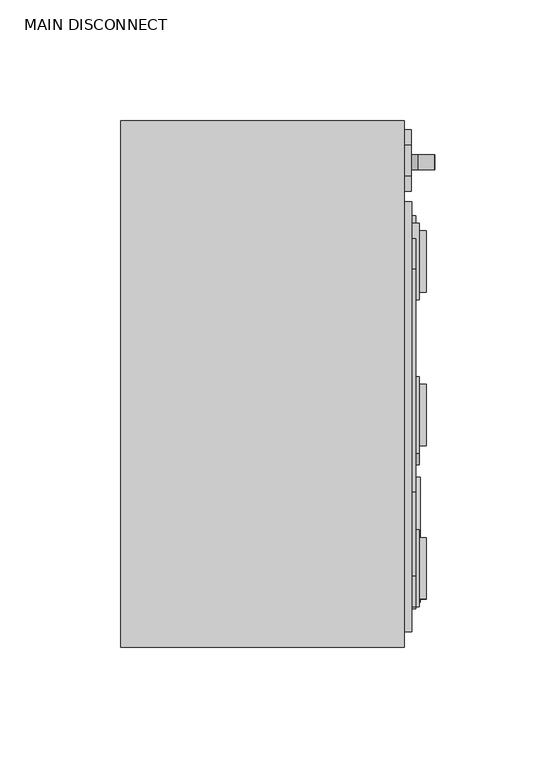
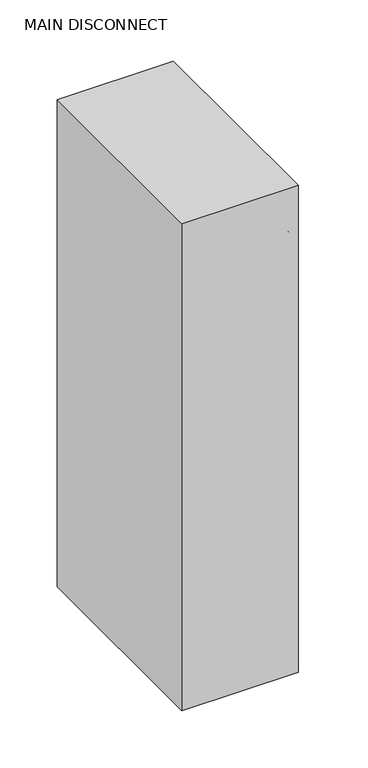
"""IFC4 building model written with IfcOpenShell, lengths in millimetres: proxy geometry, MAIN DISCONNECT."""

from ifc_helpers import new_model, si_unit, point, frame, frame_2d, origin, place, context, project, spatial, polyline, circle_curve, trimmed, segment, composite_curve, outline, extrude, source, transform, mapped, element, save


def main_disconnect_a10654f3(model_context):
    return source(origin(), model_context, "Body", "SweptSolid", [
        extrude(outline(composite_curve([segment(polyline([(1511.6831957, 130.0398343), (1613.9479397, 123.2498939)]), True, "CONTINUOUS"), segment(trimmed(circle_curve(frame_2d((1613.9479397, 121.816433)), 1.4334609), [point((1613.9479397, 123.2498939))], [point((1613.9479397, 120.3829721))], False, "CARTESIAN"), True, "CONTINUOUS"), segment(polyline([(1613.9479397, 120.3829721), (1510.4974821, 120.3829721)]), True, "CONTINUOUS"), segment(trimmed(circle_curve(frame_2d((1511.0903389, 125.2114032)), 4.8646918), [point((1510.4974821, 120.3829721))], [point((1511.6831957, 130.0398343))], False, "CARTESIAN"), True, "CONTINUOUS")], self_intersect=False)), frame((0.0, 89.1409939, 0.0), z_axis=(0.0, 1.0, 0.0), x_axis=(0.0, 0.0, 1.0)), (0.0, 0.0, 1.0), 6.2409672),
        extrude(outline(composite_curve([segment(trimmed(circle_curve(frame_2d((99.4016095, 1628.0662783)), 6.35), [point((99.4016095, 1634.4162783))], [point((105.7516095, 1628.0662783))], False, "CARTESIAN"), True, "CONTINUOUS"), segment(polyline([(105.7516095, 1628.0662783), (105.7516095, 1510.5912783)]), True, "CONTINUOUS"), segment(trimmed(circle_curve(frame_2d((99.4016095, 1510.5912783)), 6.35), [point((105.7516095, 1510.5912783))], [point((99.4016095, 1504.2412783))], False, "CARTESIAN"), True, "CONTINUOUS"), segment(polyline([(99.4016095, 1504.2412783), (86.7016095, 1504.2412783)]), True, "CONTINUOUS"), segment(trimmed(circle_curve(frame_2d((86.7016095, 1510.5912783)), 6.35), [point((86.7016095, 1504.2412783))], [point((80.3516095, 1510.5912783))], False, "CARTESIAN"), True, "CONTINUOUS"), segment(polyline([(80.3516095, 1510.5912783), (80.3516095, 1628.0662783)]), True, "CONTINUOUS"), segment(trimmed(circle_curve(frame_2d((86.7016095, 1628.0662783)), 6.35), [point((80.3516095, 1628.0662783))], [point((86.7016095, 1634.4162783))], False, "CARTESIAN"), True, "CONTINUOUS"), segment(polyline([(86.7016095, 1634.4162783), (99.4016095, 1634.4162783)]), True, "CONTINUOUS")], self_intersect=False)), frame((117.348, 0.0, 0.0), z_axis=(1.0, 0.0, 0.0), x_axis=(0.0, 1.0, 0.0)), (0.0, 0.0, 1.0), 3.0349721),
        extrude(outline(composite_curve([segment(trimmed(circle_curve(frame_2d((99.4016095, 1472.4912783)), 6.35), [point((99.4016095, 1478.8412783))], [point((105.7516095, 1472.4912783))], False, "CARTESIAN"), True, "CONTINUOUS"), segment(polyline([(105.7516095, 1472.4912783), (105.7516095, 1434.3912783)]), True, "CONTINUOUS"), segment(trimmed(circle_curve(frame_2d((99.4016095, 1434.3912783)), 6.35), [point((105.7516095, 1434.3912783))], [point((99.4016095, 1428.0412783))], False, "CARTESIAN"), True, "CONTINUOUS"), segment(polyline([(99.4016095, 1428.0412783), (86.7016095, 1428.0412783)]), True, "CONTINUOUS"), segment(trimmed(circle_curve(frame_2d((86.7016095, 1434.3912783)), 6.35), [point((86.7016095, 1428.0412783))], [point((80.3516095, 1434.3912783))], False, "CARTESIAN"), True, "CONTINUOUS"), segment(polyline([(80.3516095, 1434.3912783), (80.3516095, 1472.4912783)]), True, "CONTINUOUS"), segment(trimmed(circle_curve(frame_2d((86.7016095, 1472.4912783)), 6.35), [point((80.3516095, 1472.4912783))], [point((86.7016095, 1478.8412783))], False, "CARTESIAN"), True, "CONTINUOUS"), segment(polyline([(86.7016095, 1478.8412783), (99.4016095, 1478.8412783)]), True, "CONTINUOUS")], self_intersect=False)), frame((117.348, 0.0, 0.0), z_axis=(1.0, 0.0, 0.0), x_axis=(0.0, 1.0, 0.0)), (0.0, 0.0, 1.0), 3.0349721),
        extrude(outline(polyline([(122.1105, 70.2117601), (122.1105, -25.0382399), (120.523, -25.0382399), (120.523, 70.2117601), (122.1105, 70.2117601)])), frame((0.0, 0.0, 1180.0666269), z_axis=(0.0, 0.0, 1.0), x_axis=(1.0, 0.0, 0.0)), (0.0, 0.0, 1.0), 12.7),
        extrude(outline(polyline([(122.1105, 70.2117601), (122.1105, -25.0382399), (120.523, -25.0382399), (120.523, 70.2117601), (122.1105, 70.2117601)])), frame((0.0, 0.0, 1148.3166269), z_axis=(0.0, 0.0, 1.0), x_axis=(1.0, 0.0, 0.0)), (0.0, 0.0, 1.0), 31.75),
        extrude(outline(composite_curve([segment(trimmed(circle_curve(frame_2d((117.7147493, 1240.1952866)), 144.7419511), [point((-19.0639488, 1287.5431498))], [point((-25.9770673, 1257.5991439))], True, "CARTESIAN"), True, "CONTINUOUS"), segment(polyline([(-25.9770673, 1257.5991439), (-18.0058751, 1267.0988408)]), True, "CONTINUOUS"), segment(trimmed(circle_curve(frame_2d((179.4975252, 1201.6111898)), 208.0774509), [point((-18.0058751, 1267.0988408))], [point((-26.7252518, 1229.331071))], True, "CARTESIAN"), True, "CONTINUOUS"), segment(polyline([(-26.7252518, 1229.331071), (-23.6317208, 1228.785598), (-29.5997187, 1222.3857039), (-31.4232983, 1230.1594634), (-28.808585, 1229.6984189)]), True, "CONTINUOUS"), segment(trimmed(circle_curve(frame_2d((111.3225602, 1226.8558251)), 140.1599736), [point((-28.808585, 1229.6984189))], [point((-26.5016803, 1252.3371305))], False, "CARTESIAN"), True, "CONTINUOUS"), segment(polyline([(-26.5016803, 1252.3371305), (-33.001951, 1244.9272152)]), True, "CONTINUOUS"), segment(trimmed(circle_curve(frame_2d((139.4220416, 1245.3854182)), 172.4246014), [point((-33.001951, 1244.9272152))], [point((-27.7693722, 1287.5431498))], False, "CARTESIAN"), True, "CONTINUOUS"), segment(polyline([(-27.7693722, 1287.5431498), (-19.0639488, 1287.5431498)]), True, "CONTINUOUS")], self_intersect=False)), frame((120.523, 0.0, 0.0), z_axis=(1.0, 0.0, 0.0), x_axis=(0.0, 1.0, 0.0)), (0.0, 0.0, 1.0), 3.0349721),
        extrude(outline(polyline([(122.1105, 60.6867601), (122.1105, -40.9132399), (120.523, -40.9132399), (120.523, 60.6867601), (122.1105, 60.6867601)])), frame((0.0, 0.0, 1218.1666269), z_axis=(0.0, 0.0, 1.0), x_axis=(1.0, 0.0, 0.0)), (0.0, 0.0, 1.0), 76.2),
        extrude(outline(polyline([(-89.7371396, 1150.7467846), (-63.9117703, 1195.4776364), (-38.0864009, 1150.7467846), (-89.7371396, 1150.7467846)]), holes=[polyline([(-86.9875089, 1152.3342846), (-40.8360316, 1152.3342846), (-63.9117703, 1192.3026364), (-86.9875089, 1152.3342846)])]), frame((120.523, 0.0, 0.0), z_axis=(1.0, 0.0, 0.0), x_axis=(0.0, 1.0, 0.0)), (0.0, 0.0, 1.0), 3.5043607),
        extrude(outline(composite_curve([segment(trimmed(circle_curve(frame_2d((-63.9117703, 1155.1387676)), 1.4917322), [point((-65.4035025, 1155.1387676))], [point((-62.420038, 1155.1387676))], False, "CARTESIAN"), True, "CONTINUOUS"), segment(trimmed(circle_curve(frame_2d((-63.9117703, 1155.1387676)), 1.4917322), [point((-62.420038, 1155.1387676))], [point((-65.4035025, 1155.1387676))], False, "CARTESIAN"), True, "CONTINUOUS")], self_intersect=False)), frame((120.523, 0.0, 0.0), z_axis=(1.0, 0.0, 0.0), x_axis=(0.0, 1.0, 0.0)), (0.0, 0.0, 1.0), 3.5043607),
        extrude(outline(composite_curve([segment(trimmed(circle_curve(frame_2d((-63.9117703, 1182.6735614)), 2.1742784), [point((-66.0860486, 1182.6735614))], [point((-61.7374919, 1182.6735614))], False, "CARTESIAN"), True, "CONTINUOUS"), segment(polyline([(-61.7374919, 1182.6735614), (-62.9227467, 1160.7801961)]), True, "CONTINUOUS"), segment(trimmed(circle_curve(frame_2d((-63.9117703, 1160.8337394)), 0.9904718), [point((-62.9227467, 1160.7801961))], [point((-64.9007938, 1160.7801961))], False, "CARTESIAN"), True, "CONTINUOUS"), segment(polyline([(-64.9007938, 1160.7801961), (-66.0860486, 1182.6735614)]), True, "CONTINUOUS")], self_intersect=False)), frame((120.523, 0.0, 0.0), z_axis=(1.0, 0.0, 0.0), x_axis=(0.0, 1.0, 0.0)), (0.0, 0.0, 1.0), 3.5043607),
        extrude(outline(polyline([(-63.9117703, 1198.6526364), (-35.3367703, 1149.1592846), (-92.4867703, 1149.1592846), (-63.9117703, 1198.6526364)])), frame((120.523, 0.0, 0.0), z_axis=(1.0, 0.0, 0.0), x_axis=(0.0, 1.0, 0.0)), (0.0, 0.0, 1.0), 1.5875),
        extrude(outline(polyline([(126.4248939, -63.1435414), (126.4248939, -88.5435414), (120.523, -88.5435414), (120.523, -63.1435414), (126.4248939, -63.1435414)])), frame((0.0, 0.0, 1385.9235618), z_axis=(0.0, 0.0, 1.0), x_axis=(1.0, 0.0, 0.0)), (0.0, 0.0, 1.0), 25.4),
        extrude(outline(polyline([(123.5579721, -59.9632399), (123.5579721, -91.7132399), (120.523, -91.7132399), (120.523, -59.9632399), (123.5579721, -59.9632399)])), frame((0.0, 0.0, 1383.2666269), z_axis=(0.0, 0.0, 1.0), x_axis=(1.0, 0.0, 0.0)), (0.0, 0.0, 1.0), 50.8),
        extrude(outline(polyline([(126.4248939, 0.3564586), (126.4248939, -25.0435414), (120.523, -25.0435414), (120.523, 0.3564586), (126.4248939, 0.3564586)])), frame((0.0, 0.0, 1385.9235618), z_axis=(0.0, 0.0, 1.0), x_axis=(1.0, 0.0, 0.0)), (0.0, 0.0, 1.0), 25.4),
        extrude(outline(polyline([(123.5579721, 3.5367601), (123.5579721, -28.2132399), (120.523, -28.2132399), (120.523, 3.5367601), (123.5579721, 3.5367601)])), frame((0.0, 0.0, 1383.2666269), z_axis=(0.0, 0.0, 1.0), x_axis=(1.0, 0.0, 0.0)), (0.0, 0.0, 1.0), 50.8),
        extrude(outline(polyline([(126.4248939, 63.8564586), (126.4248939, 38.4564586), (120.523, 38.4564586), (120.523, 63.8564586), (126.4248939, 63.8564586)])), frame((0.0, 0.0, 1385.9235618), z_axis=(0.0, 0.0, 1.0), x_axis=(1.0, 0.0, 0.0)), (0.0, 0.0, 1.0), 25.4),
        extrude(outline(polyline([(123.5579721, 67.0367601), (123.5579721, 35.2867601), (120.523, 35.2867601), (120.523, 67.0367601), (123.5579721, 67.0367601)])), frame((0.0, 0.0, 1383.2666269), z_axis=(0.0, 0.0, 1.0), x_axis=(1.0, 0.0, 0.0)), (0.0, 0.0, 1.0), 50.8),
        extrude(outline(polyline([(126.4248939, 63.8564586), (126.4248939, 38.4564586), (120.523, 38.4564586), (120.523, 63.8564586), (126.4248939, 63.8564586)])), frame((0.0, 0.0, 1462.1235618), z_axis=(0.0, 0.0, 1.0), x_axis=(1.0, 0.0, 0.0)), (0.0, 0.0, 1.0), 25.4),
        extrude(outline(polyline([(123.5579721, 67.0367601), (123.5579721, 35.2867601), (120.523, 35.2867601), (120.523, 67.0367601), (123.5579721, 67.0367601)])), frame((0.0, 0.0, 1459.4666269), z_axis=(0.0, 0.0, 1.0), x_axis=(1.0, 0.0, 0.0)), (0.0, 0.0, 1.0), 50.8),
        extrude(outline(polyline([(126.4248939, 0.3564586), (126.4248939, -25.0435414), (120.523, -25.0435414), (120.523, 0.3564586), (126.4248939, 0.3564586)])), frame((0.0, 0.0, 1462.1235618), z_axis=(0.0, 0.0, 1.0), x_axis=(1.0, 0.0, 0.0)), (0.0, 0.0, 1.0), 25.4),
        extrude(outline(polyline([(123.5579721, 3.5367601), (123.5579721, -28.2132399), (120.523, -28.2132399), (120.523, 3.5367601), (123.5579721, 3.5367601)])), frame((0.0, 0.0, 1459.4666269), z_axis=(0.0, 0.0, 1.0), x_axis=(1.0, 0.0, 0.0)), (0.0, 0.0, 1.0), 50.8),
        extrude(outline(polyline([(126.4248939, -63.1435414), (126.4248939, -88.5435414), (120.523, -88.5435414), (120.523, -63.1435414), (126.4248939, -63.1435414)])), frame((0.0, 0.0, 1462.1235618), z_axis=(0.0, 0.0, 1.0), x_axis=(1.0, 0.0, 0.0)), (0.0, 0.0, 1.0), 25.4),
        extrude(outline(polyline([(123.5579721, -59.9632399), (123.5579721, -91.7132399), (120.523, -91.7132399), (120.523, -59.9632399), (123.5579721, -59.9632399)])), frame((0.0, 0.0, 1459.4666269), z_axis=(0.0, 0.0, 1.0), x_axis=(1.0, 0.0, 0.0)), (0.0, 0.0, 1.0), 50.8),
        extrude(outline(composite_curve([segment(polyline([(-44.0882399, 1589.6416269), (-44.0882399, 1640.4416269), (47.9867601, 1640.4416269)]), True, "CONTINUOUS"), segment(trimmed(circle_curve(frame_2d((47.9867601, 1627.7416269)), 12.7), [point((47.9867601, 1640.4416269))], [point((60.6867601, 1627.7416269))], False, "CARTESIAN"), True, "CONTINUOUS"), segment(polyline([(60.6867601, 1627.7416269), (60.6867601, 1602.3416269)]), True, "CONTINUOUS"), segment(trimmed(circle_curve(frame_2d((47.9867601, 1602.3416269)), 12.7), [point((60.6867601, 1602.3416269))], [point((47.9867601, 1589.6416269))], False, "CARTESIAN"), True, "CONTINUOUS"), segment(polyline([(47.9867601, 1589.6416269), (-44.0882399, 1589.6416269)]), True, "CONTINUOUS")], self_intersect=False)), frame((120.523, 0.0, 0.0), z_axis=(1.0, 0.0, 0.0), x_axis=(0.0, 1.0, 0.0)), (0.0, 0.0, 1.0), 1.5875),
        extrude(outline(composite_curve([segment(polyline([(-44.0882399, 1589.6416269), (-79.0132399, 1589.6416269)]), True, "CONTINUOUS"), segment(trimmed(circle_curve(frame_2d((-79.0132399, 1602.3416269)), 12.7), [point((-79.0132399, 1589.6416269))], [point((-91.7132399, 1602.3416269))], False, "CARTESIAN"), True, "CONTINUOUS"), segment(polyline([(-91.7132399, 1602.3416269), (-91.7132399, 1627.7416269)]), True, "CONTINUOUS"), segment(trimmed(circle_curve(frame_2d((-79.0132399, 1627.7416269)), 12.7), [point((-91.7132399, 1627.7416269))], [point((-79.0132399, 1640.4416269))], False, "CARTESIAN"), True, "CONTINUOUS"), segment(polyline([(-79.0132399, 1640.4416269), (-44.0882399, 1640.4416269), (-44.0882399, 1589.6416269)]), True, "CONTINUOUS")], self_intersect=False)), frame((120.523, 0.0, 0.0), z_axis=(1.0, 0.0, 0.0), x_axis=(0.0, 1.0, 0.0)), (0.0, 0.0, 1.0), 1.5875),
        extrude(outline(polyline([(120.523, 75.9343596), (120.523, -102.121353), (117.348, -102.121353), (117.348, 75.9343596), (120.523, 75.9343596)])), frame((0.0, 0.0, 1143.0), z_axis=(0.0, 0.0, 1.0), x_axis=(1.0, 0.0, 0.0)), (0.0, 0.0, 1.0), 508.0),
        extrude(outline(polyline([(117.348, -108.471353), (0.0, -108.471353), (0.0, 109.474), (117.348, 109.474), (117.348, -108.471353)])), frame((0.0, 0.0, 1136.65), z_axis=(0.0, 0.0, 1.0), x_axis=(1.0, 0.0, 0.0)), (0.0, 0.0, 1.0), 519.6666269),
    ])


if __name__ == "__main__":
    model = new_model("IFC4")
    model_context = context("Model", 3, world=origin())
    ifc_project = project(units=[si_unit("LENGTHUNIT", "METRE", prefix="MILLI")], contexts=[model_context])
    site = spatial("IfcSite", under=ifc_project)
    building = spatial("IfcBuilding", under=site)
    placement = place(None, origin())
    main_disconnect_shape = main_disconnect_a10654f3(model_context)
    element("IfcBuildingElementProxy", 1, Name="MAIN DISCONNECT", ObjectType="MAIN DISCONNECT", at=placement, inside=building, context=model_context, shape_type="MappedRepresentation", body=[
        mapped(main_disconnect_shape, transform((0.0, 0.0, 0.0), x_axis=(1.0, 0.0, 0.0), y_axis=(0.0, 1.0, 0.0), z_axis=(0.0, 0.0, 1.0))),
    ])
    save(model, "model.ifc")
